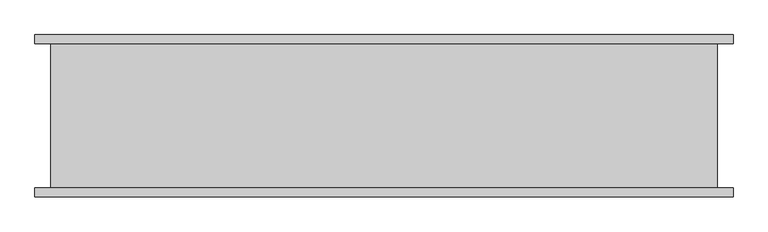
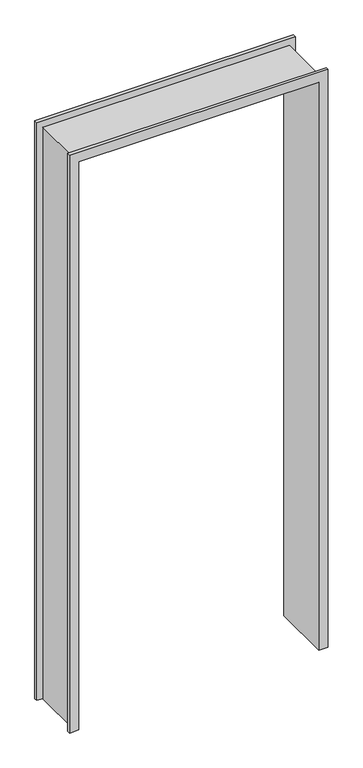
"""IFC4 building model written with IfcOpenShell, lengths in millimetres: proxy geometry."""

from ifc_helpers import new_model, si_unit, origin, place, context, project, spatial, faceted_brep, source, transform, mapped, element, save


def specialty_equipment_0bbe2a0f(model_context):
    return source(origin(), model_context, "Body", "Brep", [
        faceted_brep([(437.1442422, -7.7140625, 0.0), (437.1442422, 292.2859375, 0.0), (483.8173422, 292.2859375, 0.0), (483.8173422, 275.7859375, 0.0), (454.1442422, 275.7859375, 0.0), (454.1442422, 8.7859375, 0.0), (483.8173422, 8.7859375, 0.0), (483.8173422, -7.7140625, 0.0), (454.1442422, 8.7859375, 3012.8984), (-777.3030564, 8.7859375, 3012.8984), (-777.3030564, 8.7859375, 0.0), (-806.9761564, 8.7859375, 0.0), (-806.9761564, 8.7859375, 3047.9944), (483.8173422, 8.7859375, 3047.9944), (-760.3030564, -7.7140625, 0.0), (-760.3030564, -7.7140625, 2995.8984), (437.1442422, -7.7140625, 2995.8984), (483.8173422, -7.7140625, 3047.9944), (-806.9761564, -7.7140625, 3047.9944), (-806.9761564, -7.7140625, 0.0), (437.1442422, 292.2859375, 2995.8984), (-760.3030564, 292.2859375, 2995.8984), (-760.3030564, 292.2859375, 0.0), (-806.9761564, 292.2859375, 0.0), (-806.9761564, 292.2859375, 3047.9944), (483.8173422, 292.2859375, 3047.9944), (-777.3030564, 275.7859375, 0.0), (-777.3030564, 275.7859375, 3012.8984), (454.1442422, 275.7859375, 3012.8984), (483.8173422, 275.7859375, 3047.9944), (-806.9761564, 275.7859375, 3047.9944), (-806.9761564, 275.7859375, 0.0)], [[[0, 1, 2, 3, 4, 5, 6, 7]], [[5, 8, 9, 10, 11, 12, 13, 6]], [[14, 15, 16, 0, 7, 17, 18, 19]], [[1, 0, 16, 20]], [[1, 20, 21, 22, 23, 24, 25, 2]], [[26, 27, 28, 4, 3, 29, 30, 31]], [[5, 4, 28, 8]], [[18, 17, 13, 12]], [[16, 15, 21, 20]], [[30, 29, 25, 24]], [[9, 8, 28, 27]], [[10, 26, 31, 23, 22, 14, 19, 11]], [[15, 14, 22, 21]], [[10, 9, 27, 26]], [[12, 11, 19, 18]], [[24, 23, 31, 30]], [[3, 2, 25, 29]], [[7, 6, 13, 17]]]),
    ])


if __name__ == "__main__":
    model = new_model("IFC4")
    model_context = context("Model", 3, world=origin())
    ifc_project = project(units=[si_unit("LENGTHUNIT", "METRE", prefix="MILLI")], contexts=[model_context])
    site = spatial("IfcSite", under=ifc_project)
    building = spatial("IfcBuilding", under=site)
    placement = place(None, origin())
    specialty_equipment_shape = specialty_equipment_0bbe2a0f(model_context)
    element("IfcBuildingElementProxy", 1, Name="Specialty Equipment", at=placement, inside=building, context=model_context, shape_type="MappedRepresentation", body=[
        mapped(specialty_equipment_shape, transform((0.0, 0.0, 0.0), x_axis=(1.0, 0.0, 0.0), y_axis=(0.0, 1.0, 0.0), z_axis=(0.0, 0.0, 1.0))),
    ])
    save(model, "model.ifc")
